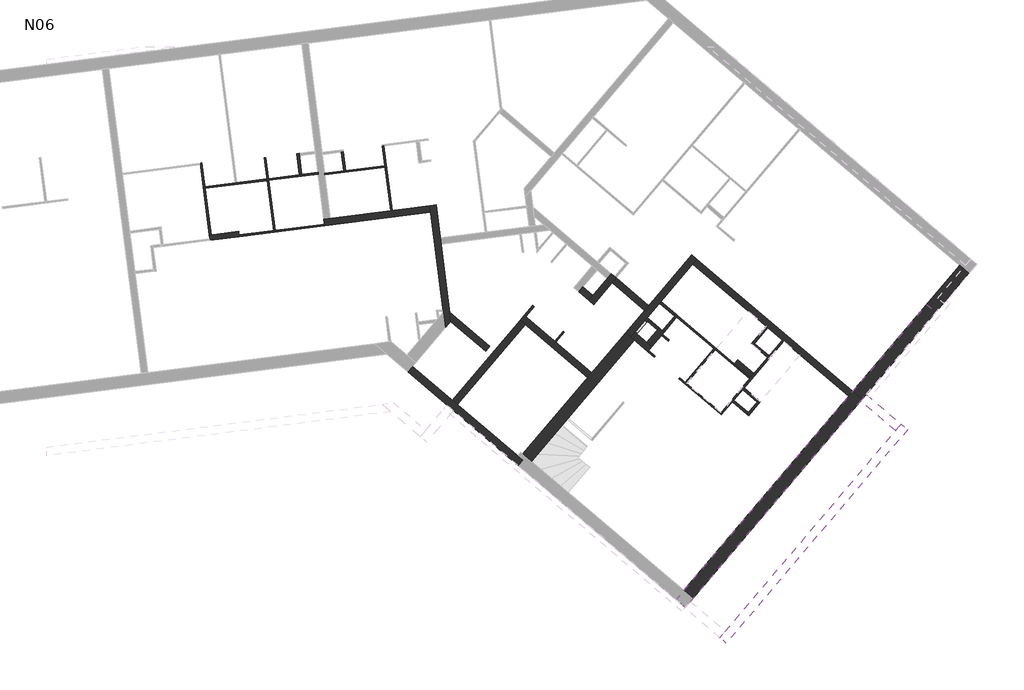
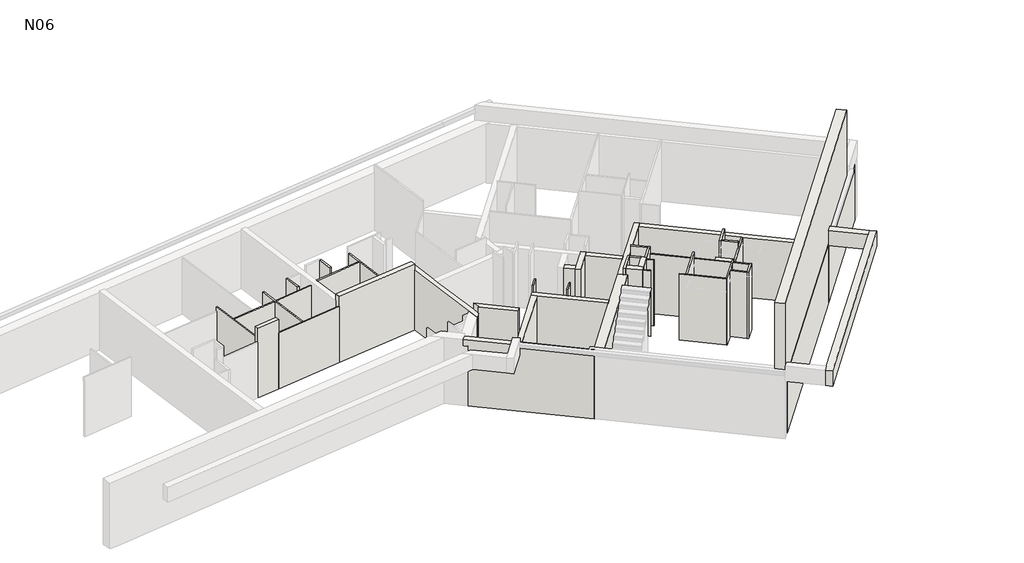
# One storey, part 2 of 3: 47 walls.
"""IFC4 building model written with IfcOpenShell, lengths in millimetres."""

import ifcopenshell
import ifcopenshell.guid

model = None  # the IFC model being written
_history = None  # IfcOwnerHistory: only IFC2X3 demands one
_inside = {}  # id of a spatial element -> (the spatial element, [elements in it])
_under = {}  # id of a project, library or spatial element -> (it, [spatial elements below it])
_declared = {}  # id of a project -> (the project, [libraries it declares])
_typed = {}  # id of a type object -> (the type object, [elements of that type])
_made_of = {}  # id of a material, layer set ... -> (it, [elements and type objects made of it])


def new_model(schema):
    """Start an empty IFC model of exactly this schema.

    Asked for "IFC4X3", IfcOpenShell would pick the latest addendum, in which some entities
    have other attributes; the version numbers below select the first issue.
    IFC2X3 requires an IfcOwnerHistory on every rooted entity: one is made here for all.
    """
    global model, _history
    if schema == "IFC4X3":
        model = ifcopenshell.file(schema_version=(4, 3, 0, 0))
    else:
        model = ifcopenshell.file(schema=schema)
    _inside.clear()
    _under.clear()
    _declared.clear()
    _typed.clear()
    _made_of.clear()
    _history = None
    if model.schema == "IFC2X3":
        org = make("IfcOrganization", Name="unknown")
        user = make(
            "IfcPersonAndOrganization",
            ThePerson=make("IfcPerson", FamilyName="unknown"),
            TheOrganization=org,
        )
        app = make(
            "IfcApplication",
            ApplicationDeveloper=org,
            Version="unknown",
            ApplicationFullName="unknown",
            ApplicationIdentifier="unknown",
        )
        _history = make(
            "IfcOwnerHistory",
            OwningUser=user,
            OwningApplication=app,
            ChangeAction="ADDED",
            CreationDate=0,
        )
    return model


def make(cls, **values):
    """One entity of the class cls with the attributes given. An attribute that is None is left unset."""
    return model.create_entity(
        cls, **{name: value for name, value in values.items() if value is not None}
    )


def rooted(cls, **values):
    """An entity with a GlobalId (a new one), such as an element, a storey or a relation."""
    return make(cls, GlobalId=ifcopenshell.guid.new(), OwnerHistory=_history, **values)


def si_unit(unit_type, name, prefix=None):
    """IfcSIUnit, for example si_unit("LENGTHUNIT", "METRE", prefix="MILLI")."""
    return make("IfcSIUnit", UnitType=unit_type, Prefix=prefix, Name=name)


def assignment(units):
    """IfcUnitAssignment: the units of a project."""
    return None if units is None else make("IfcUnitAssignment", Units=units)


def point(xyz):
    """IfcCartesianPoint."""
    return None if xyz is None else make("IfcCartesianPoint", Coordinates=xyz)


def direction(xyz):
    """IfcDirection."""
    return None if xyz is None else make("IfcDirection", DirectionRatios=xyz)


def frame(location, z_axis=None, x_axis=None):
    """IfcAxis2Placement3D, a coordinate frame: its origin and axes. An axis left out is left unset."""
    return make(
        "IfcAxis2Placement3D",
        Location=point(location),
        Axis=direction(z_axis),
        RefDirection=direction(x_axis),
    )


def origin():
    """The frame at (0, 0, 0) with its axes left unset."""
    return frame((0.0, 0.0, 0.0))


def place(relative_to, where):
    """IfcLocalPlacement: puts the frame where relative to a parent placement (None: the world)."""
    return make(
        "IfcLocalPlacement", PlacementRelTo=relative_to, RelativePlacement=where
    )


def context(
    kind, dimensions, precision=None, world=None, true_north=None, identifier=None
):
    """IfcGeometricRepresentationContext, for example the 3D "Model" context."""
    return make(
        "IfcGeometricRepresentationContext",
        ContextIdentifier=identifier,
        ContextType=kind,
        CoordinateSpaceDimension=dimensions,
        Precision=precision,
        WorldCoordinateSystem=world,
        TrueNorth=true_north,
    )


def project(units=None, contexts=None):
    """IfcProject with its units and contexts."""
    return rooted(
        "IfcProject",
        Name="project",
        RepresentationContexts=contexts,
        UnitsInContext=assignment(units),
    )


def spatial(cls, under=None, at=None, **own):
    """A site, building, storey or space (cls), placed at a placement, below another one or the project."""
    s = rooted(cls, ObjectPlacement=at, **own)
    if under is not None:
        _under.setdefault(under.id(), (under, []))[1].append(s)
    return s


def polyline(points):
    """IfcPolyline through the points."""
    return make("IfcPolyline", Points=[point(p) for p in points])


def outline(outer, holes=None, kind="AREA"):
    """IfcArbitraryClosedProfileDef: a profile drawn as a closed curve; with holes, ...WithVoids."""
    if holes is None:
        return make("IfcArbitraryClosedProfileDef", ProfileType=kind, OuterCurve=outer)
    return make(
        "IfcArbitraryProfileDefWithVoids",
        ProfileType=kind,
        OuterCurve=outer,
        InnerCurves=holes,
    )


def extrude(swept, where, along, depth):
    """IfcExtrudedAreaSolid: the profile swept, set in the frame where, extruded along a direction by depth."""
    return make(
        "IfcExtrudedAreaSolid",
        SweptArea=swept,
        Position=where,
        ExtrudedDirection=direction(along),
        Depth=depth,
    )


def faces_of(points, faces, orient=None, outer=None):
    """IfcFace entities. A face is a list of loops; a loop is a list of indices into points, from 0.

    orient and outer hold one flag for each loop. By default every Orientation is true, the
    first loop of a face is its IfcFaceOuterBound and the others are IfcFaceBound.
    """
    made = []
    for i, loops in enumerate(faces):
        bounds = []
        for j, loop in enumerate(loops):
            is_outer = j == 0 if outer is None else outer[i][j]
            bounds.append(
                make(
                    "IfcFaceOuterBound" if is_outer else "IfcFaceBound",
                    Bound=make("IfcPolyLoop", Polygon=[points[k] for k in loop]),
                    Orientation=True if orient is None else orient[i][j],
                )
            )
        made.append(make("IfcFace", Bounds=bounds))
    return made


def faceted_brep(points, faces, orient=None, outer=None, voids=None):
    """IfcFacetedBrep: a solid bounded by flat faces; with voids (closed shells), ...WithVoids."""
    shared = [point(p) for p in points]
    hull = make("IfcClosedShell", CfsFaces=faces_of(shared, faces, orient, outer))
    if voids is None:
        return make("IfcFacetedBrep", Outer=hull)
    return make(
        "IfcFacetedBrepWithVoids",
        Outer=hull,
        Voids=[
            make(cls, CfsFaces=faces_of(shared, fs, o, b)) for cls, fs, o, b in voids
        ],
    )


def shape(context_of_items, identifier, shape_type, items):
    """IfcShapeRepresentation: the items that make up one representation, for example the "Body"."""
    return make(
        "IfcShapeRepresentation",
        ContextOfItems=context_of_items,
        RepresentationIdentifier=identifier,
        RepresentationType=shape_type,
        Items=items,
    )


def made_of(thing, what):
    """Note that an element or type object is made of a material, layer set ...; save() writes the relation."""
    if what is not None:
        _made_of.setdefault(what.id(), (what, []))[1].append(thing)
    return thing


def element(
    cls,
    number,
    at=None,
    inside=None,
    cuts=None,
    type_object=None,
    material=None,
    context=None,
    identifier="Body",
    shape_type=None,
    held_by="IfcProductDefinitionShape",
    body=None,
    shapes=None,
    **own,
):
    """One element of the class cls, such as IfcWall. Its Tag is "e" and its number.

    at: its placement. inside: the storey or other place that contains it. cuts: it is an
    opening in that element (IfcRelVoidsElement). A single representation is given by context,
    identifier, shape_type and body (its items); several are given by shapes. held_by: the class
    of the entity that holds the representations. save() writes the other relations.
    """
    e = rooted(cls, Tag="e%d" % number, ObjectPlacement=at, **own)
    if body is not None:
        shapes = [shape(context, identifier, shape_type, body)]
    if shapes is not None:
        e.Representation = make(held_by, Representations=shapes)
    if inside is not None:
        _inside.setdefault(inside.id(), (inside, []))[1].append(e)
    if cuts is not None:
        rooted(
            "IfcRelVoidsElement", RelatingBuildingElement=cuts, RelatedOpeningElement=e
        )
    if type_object is not None:
        _typed.setdefault(type_object.id(), (type_object, []))[1].append(e)
    return made_of(e, material)


def aggregate(whole, parts):
    """IfcRelAggregates: a whole, such as a stair, and the parts it consists of."""
    return rooted("IfcRelAggregates", RelatingObject=whole, RelatedObjects=parts)


def save(model, path):
    """Write the relations noted so far, then the file.

    IfcRelAggregates (storeys below a building ...), IfcRelContainedInSpatialStructure (elements
    in a storey), IfcRelDefinesByType, IfcRelAssociatesMaterial and IfcRelDeclares: one each for
    every whole, place, type object, material and project.
    """
    for whole, parts in _under.values():
        aggregate(whole, parts)
    for where, things in _inside.values():
        rooted(
            "IfcRelContainedInSpatialStructure",
            RelatedElements=things,
            RelatingStructure=where,
        )
    for kind, things in _typed.values():
        rooted("IfcRelDefinesByType", RelatedObjects=things, RelatingType=kind)
    for what, things in _made_of.values():
        rooted("IfcRelAssociatesMaterial", RelatedObjects=things, RelatingMaterial=what)
    for by, libraries in _declared.values():
        rooted("IfcRelDeclares", RelatingContext=by, RelatedDefinitions=libraries)
    model.write(path)


model = new_model("IFC4")

# Units and contexts
model_context = context("Model", 3, world=origin())
ifc_project = project(units=[si_unit("LENGTHUNIT", "METRE", prefix="MILLI")], contexts=[model_context])

# Site, building, storey
site = spatial("IfcSite", under=ifc_project)
building = spatial("IfcBuilding", under=site)
storey = spatial("IfcBuildingStorey", under=building, Name="N06", Elevation=16920.0)

# Walls
placement = place(None, origin())
element("IfcWall", 1, at=placement, inside=storey, context=model_context, shape_type="Brep", body=[
    faceted_brep([(22625.2132362, 15384.8602127, 22610.0), (22625.2132362, 15384.8602127, 19360.0), (20373.7480337, 12732.0012909, 19360.0), (20373.7480337, 12732.0012909, 19420.0), (15215.3544939, 6653.9636162, 19420.0), (15215.3544939, 6653.9636162, 19690.0), (14975.9385505, 6371.8643322, 19690.0), (14975.9385505, 6371.8643322, 22610.0), (15215.3544939, 6653.9636162, 22610.0), (22907.3125202, 15145.4442693, 22610.0), (15258.0378345, 6132.4483887, 22610.0), (15258.0378345, 6132.4483887, 20000.0), (15413.3346627, 6315.4317081, 20000.0), (15413.3346627, 6315.4317081, 19690.0), (15497.4537779, 6414.5476727, 19690.0), (15497.4537779, 6414.5476727, 19420.0), (20655.8473177, 12492.5853475, 19420.0), (20655.8473177, 12492.5853475, 19360.0), (20778.79064, 12637.447142, 19360.0), (22907.3125202, 15145.4442693, 19360.0), (22907.3125202, 15145.4442693, 19690.0), (15090.3031251, 6274.8038146, 22610.0), (15409.5225099, 6318.6670589, 19690.0), (15254.2256817, 6135.6837396, 19690.0), (15254.2256817, 6135.6837396, 20000.0), (15409.5225099, 6318.6670589, 20000.0)], [[[0, 1, 2, 3, 4, 5, 6, 7, 8]], [[9, 10, 11, 12, 13, 14, 15, 16, 17, 18, 19, 20]], [[1, 19, 18, 17, 2]], [[10, 9, 0, 8, 7, 21]], [[1, 0, 9, 20, 19]], [[14, 5, 4, 15]], [[5, 14, 13, 22, 23, 6]], [[10, 21, 7, 6, 23, 24, 11]], [[12, 25, 22, 13]], [[22, 25, 24, 23]], [[25, 12, 11, 24]], [[3, 16, 15, 4]], [[16, 3, 2, 17]]]),
])
element("IfcWall", 2, at=placement, inside=storey, context=model_context, shape_type="Brep", body=[
    faceted_brep([(7448.5900764, 18403.1253969, 16920.0), (7473.9455369, 18204.7391559, 16920.0), (7854.1474738, 15229.9624634, 16920.0), (7860.4863389, 15180.3659032, 16920.0), (7865.2890942, 15142.7881766, 16920.0), (7925.3724793, 14672.6836444, 16920.0), (7925.3724793, 14672.6836444, 19420.0), (7865.2890942, 15142.7881766, 19420.0), (7448.5900764, 18403.1253969, 19420.0), (7646.9763174, 18428.4808575, 16920.0), (7646.9763174, 18428.4808575, 19420.0), (7775.7214118, 17421.1532528, 19420.0), (7801.0768724, 17222.7670118, 19420.0), (8100.609629, 14879.1622679, 19420.0), (8100.609629, 14879.1622679, 16920.0), (7801.0768724, 17222.7670118, 16920.0), (7775.7214118, 17421.1532528, 16920.0)], [[[0, 1, 2, 3, 4, 5, 6, 7, 8]], [[9, 10, 11, 12, 13, 14, 15, 16]], [[5, 4, 3, 2, 1, 0, 9, 16, 15, 14]], [[8, 7, 6, 13, 12, 11, 10]], [[0, 8, 10, 9]], [[5, 14, 13, 6]]]),
])
element("IfcWall", 3, at=placement, inside=storey, context=model_context, shape_type="Brep", body=[
    faceted_brep([(10566.9673175, 10599.0214892, 16920.0), (11649.2360505, 11874.2382951, 16920.0), (11681.5895563, 11912.35982, 16920.0), (13700.7356476, 14291.4815212, 16920.0), (13700.7356476, 14291.4815212, 19420.0), (10566.9673175, 10599.0214892, 19420.0), (10300.1166434, 10825.4960303, 16920.0), (10300.1166434, 10825.4960303, 19420.0), (12273.6805015, 13150.909047, 19420.0), (12403.0945249, 13303.3951464, 19420.0), (13433.8849736, 14517.9560622, 19420.0), (13433.8849736, 14517.9560622, 16920.0), (12403.0945249, 13303.3951464, 16920.0), (12273.6805015, 13150.909047, 16920.0), (13586.371073, 14388.5420388, 16920.0), (13647.3655128, 14336.7764294, 16920.0)], [[[0, 1, 2, 3, 4, 5]], [[6, 7, 8, 9, 10, 11, 12, 13]], [[3, 2, 1, 0, 6, 13, 12, 11, 14, 15]], [[5, 4, 10, 9, 8, 7]], [[0, 5, 7, 6]], [[4, 3, 15, 14, 11, 10]]]),
])
element("IfcWall", 4, at=placement, inside=storey, context=model_context, shape_type="Brep", body=[
    faceted_brep([(20373.7480337, 12732.0012909, 16920.0), (15610.9962826, 16774.1196816, 16920.0), (15610.9962826, 16774.1196816, 19420.0), (20373.7480337, 12732.0012909, 19420.0), (20244.3340102, 12579.5151915, 16920.0), (20244.3340102, 12579.5151915, 19420.0), (18262.0147173, 14261.8974967, 19420.0), (18223.8931924, 14294.2510025, 19420.0), (15481.5822592, 16621.6335821, 19420.0), (15481.5822592, 16621.6335821, 16920.0), (17728.3133692, 14714.8465789, 16920.0), (17781.683504, 14669.5516706, 16920.0), (18223.8931924, 14294.2510025, 16920.0), (18262.0147173, 14261.8974967, 16920.0)], [[[0, 1, 2, 3]], [[4, 5, 6, 7, 8, 9, 10, 11, 12, 13]], [[1, 0, 4, 13, 12, 11, 10, 9]], [[3, 2, 8, 7, 6, 5]], [[2, 1, 9, 8]], [[0, 3, 5, 4]]]),
])
element("IfcWall", 5, at=placement, inside=storey, context=model_context, shape_type="SweptSolid", body=[
    extrude(outline(polyline([(13150.4986542, 16197.2682669), (14143.7131407, 15354.3331841), (14014.2991172, 15201.8470847), (13021.0846307, 16044.7821675), (13150.4986542, 16197.2682669)])), frame((0.0, 0.0, 16920.0), z_axis=(0.0, 0.0, 1.0), x_axis=(1.0, 0.0, 0.0)), (0.0, 0.0, 1.0), 2500.0),
])
element("IfcWall", 6, at=placement, inside=storey, context=model_context, shape_type="Brep", body=[
    faceted_brep([(12403.0945249, 13303.3951464, 16920.0), (11305.1946088, 14235.1761155, 16920.0), (11267.073084, 14267.5296214, 16920.0), (10382.6537071, 15018.1309575, 16920.0), (10344.5321823, 15050.4844634, 16920.0), (10344.5321823, 15050.4844634, 19420.0), (12403.0945249, 13303.3951464, 19420.0), (12273.6805015, 13150.909047, 16920.0), (12273.6805015, 13150.909047, 19420.0), (10367.6042582, 14768.5843405, 19420.0), (10215.1181588, 14897.9983639, 19420.0), (10215.1181588, 14897.9983639, 16920.0), (10367.6042582, 14768.5843405, 16920.0)], [[[0, 1, 2, 3, 4, 5, 6]], [[7, 8, 9, 10, 11, 12]], [[4, 3, 2, 1, 0, 7, 12, 11]], [[6, 5, 10, 9, 8]], [[5, 4, 11, 10]], [[0, 6, 8, 7]]]),
])
element("IfcWall", 7, at=placement, inside=storey, context=model_context, shape_type="SweptSolid", body=[
    extrude(outline(polyline([(8144.4937831, 12458.2207726), (10215.1181588, 14897.9983639), (10367.6042582, 14768.5843405), (8296.9798826, 12328.8067492), (8144.4937831, 12458.2207726)])), frame((0.0, 0.0, 16920.0), z_axis=(0.0, 0.0, 1.0), x_axis=(1.0, 0.0, 0.0)), (0.0, 0.0, 1.0), 2500.0),
])
element("IfcWall", 8, at=placement, inside=storey, context=model_context, shape_type="Brep", body=[
    faceted_brep([(10302.1720905, 10627.0123404, 16920.0), (10138.2495336, 10766.1324156, 16920.0), (8296.9798826, 12328.8067492, 16920.0), (8144.4937831, 12458.2207726, 16920.0), (6924.6221307, 13493.5184111, 16920.0), (6924.6221307, 13493.5184111, 19420.0), (6791.1967937, 13606.7556817, 19420.0), (6791.1967937, 13606.7556817, 19690.0), (6924.6221307, 13493.5184111, 19690.0), (10138.2495336, 10766.1324156, 19690.0), (10302.1720905, 10627.0123404, 19690.0), (10159.8166646, 10459.277631, 16920.0), (10159.8166646, 10459.277631, 19690.0), (6782.2667049, 13325.7837017, 19690.0), (6648.8413679, 13439.0209723, 19690.0), (6648.8413679, 13439.0209723, 19420.0), (6782.2667049, 13325.7837017, 19420.0), (6782.2667049, 13325.7837017, 16920.0)], [[[0, 1, 2, 3, 4, 5, 6, 7, 8, 9, 10]], [[11, 12, 13, 14, 15, 16, 17]], [[4, 3, 2, 1, 0, 11, 17]], [[10, 9, 8, 7, 14, 13, 12]], [[0, 10, 12, 11]], [[7, 6, 15, 14]], [[15, 6, 5, 16]], [[5, 4, 17, 16]]]),
])
element("IfcWall", 9, at=placement, inside=storey, context=model_context, shape_type="Brep", body=[
    faceted_brep([(8089.348342, 14865.8933062, 16920.0), (9156.7510382, 13959.9951419, 16920.0), (9156.7510382, 13959.9951419, 19690.0), (8089.348342, 14865.8933062, 19690.0), (8066.276266, 15147.7934292, 16920.0), (8066.276266, 15147.7934292, 19690.0), (9286.1650617, 14112.4812413, 19690.0), (9286.1650617, 14112.4812413, 16920.0), (8100.609629, 14879.1622679, 16920.0), (8100.609629, 14879.1622679, 19690.0), (8100.609629, 14879.1622679, 19420.0)], [[[0, 1, 2, 3]], [[4, 5, 6, 7]], [[1, 0, 8, 4, 7]], [[2, 1, 7, 6]], [[3, 2, 6, 5, 9]], [[0, 3, 9, 10, 8]], [[9, 5, 4, 8, 10]]]),
])
element("IfcWall", 10, at=placement, inside=storey, context=model_context, shape_type="Brep", body=[
    faceted_brep([(13586.371073, 14388.5420388, 16920.0), (14465.6821749, 15424.6177014, 16920.0), (14510.9770831, 15477.9878362, 16920.0), (15481.5822592, 16621.6335821, 16920.0), (15610.9962826, 16774.1196816, 16920.0), (15610.9962826, 16774.1196816, 19420.0), (15481.5822592, 16621.6335821, 19420.0), (13586.371073, 14388.5420388, 19420.0), (13433.8849736, 14517.9560622, 16920.0), (13433.8849736, 14517.9560622, 19420.0), (14014.2991172, 15201.8470847, 19420.0), (14143.7131407, 15354.3331841, 19420.0), (15458.5101832, 16903.533705, 19420.0), (15458.5101832, 16903.533705, 16920.0), (14143.7131407, 15354.3331841, 16920.0), (14014.2991172, 15201.8470847, 16920.0)], [[[0, 1, 2, 3, 4, 5, 6, 7]], [[8, 9, 10, 11, 12, 13, 14, 15]], [[4, 3, 2, 1, 0, 8, 15, 14, 13]], [[7, 6, 5, 12, 11, 10, 9]], [[0, 7, 9, 8]], [[5, 4, 13, 12]]]),
])
element("IfcWall", 11, at=placement, inside=storey, context=model_context, shape_type="Brep", body=[
    faceted_brep([(4248.3180049, 17792.4763335, 16920.0), (7473.9455369, 18204.7391559, 16920.0), (7473.9455369, 18204.7391559, 19690.0), (4248.3180049, 17792.4763335, 19690.0), (4222.9625443, 17990.8625745, 16920.0), (4222.9625443, 17990.8625745, 19420.0), (4222.9625443, 17990.8625745, 19690.0), (7448.5900764, 18403.1253969, 19690.0), (7448.5900764, 18403.1253969, 19420.0), (7448.5900764, 18403.1253969, 16920.0), (4421.3487853, 18016.2180351, 16920.0)], [[[0, 1, 2, 3]], [[4, 5, 6, 7, 8, 9, 10]], [[1, 0, 4, 10, 9]], [[3, 2, 7, 6]], [[0, 3, 6, 5, 4]], [[2, 1, 9, 8, 7]]]),
])
element("IfcWall", 12, at=placement, inside=storey, context=model_context, shape_type="Brep", body=[
    faceted_brep([(16510.7310576, 5043.0633839, 19360.0), (22044.4252655, 11563.3107471, 19360.0), (22044.4252655, 11563.3107471, 20000.0), (16510.7310576, 5043.0633839, 20000.0), (16312.4991283, 5211.3016144, 19360.0), (16312.4991283, 5211.3016144, 20000.0), (16480.7373588, 5409.5335437, 20000.0), (21677.9551057, 11533.3170483, 20000.0), (21846.1933362, 11731.5489776, 20000.0), (21846.1933362, 11731.5489776, 19360.0), (21677.9551057, 11533.3170483, 19360.0), (16480.7373588, 5409.5335437, 19360.0)], [[[0, 1, 2, 3]], [[4, 5, 6, 7, 8, 9, 10, 11]], [[1, 0, 4, 11, 10, 9]], [[3, 2, 8, 7, 6, 5]], [[2, 1, 9, 8]], [[0, 3, 5, 4]]]),
])
element("IfcWall", 13, at=placement, inside=storey, context=model_context, shape_type="Brep", body=[
    faceted_brep([(20610.5524095, 12439.2152127, 19360.0), (21677.9551057, 11533.3170483, 19360.0), (21677.9551057, 11533.3170483, 20000.0), (20610.5524095, 12439.2152127, 20000.0), (20778.79064, 12637.447142, 19360.0), (20778.79064, 12637.447142, 20000.0), (21846.1933362, 11731.5489776, 20000.0), (21846.1933362, 11731.5489776, 19360.0), (20655.8473177, 12492.5853475, 19360.0)], [[[0, 1, 2, 3]], [[4, 5, 6, 7]], [[1, 0, 8, 4, 7]], [[3, 2, 6, 5]], [[0, 3, 5, 4, 8]], [[2, 1, 7, 6]]]),
])
element("IfcWall", 14, at=placement, inside=storey, context=model_context, shape_type="Brep", body=[
    faceted_brep([(23636.9720717, 16576.9965383, 16920.0), (20373.7480337, 12732.0012909, 16920.0), (20373.7480337, 12732.0012909, 19360.0), (23636.9720717, 16576.9965383, 19360.0), (23919.0713557, 16337.5805948, 16920.0), (23919.0713557, 16337.5805948, 17120.0), (23919.0713557, 16337.5805948, 19360.0), (20655.8473177, 12492.5853475, 19360.0), (20655.8473177, 12492.5853475, 16920.0)], [[[0, 1, 2, 3]], [[4, 5, 6, 7, 8]], [[1, 0, 4, 8]], [[3, 2, 7, 6]], [[0, 3, 6, 5, 4]], [[2, 1, 8, 7]]]),
])
element("IfcWall", 15, at=placement, inside=storey, context=model_context, shape_type="Brep", body=[
    faceted_brep([(20373.7480337, 12732.0012909, 19420.0), (20373.7480337, 12732.0012909, 19360.0), (20373.7480337, 12732.0012909, 16920.0), (20244.3340102, 12579.5151915, 16920.0), (15215.3544939, 6653.9636162, 16920.0), (15215.3544939, 6653.9636162, 19420.0), (20244.3340102, 12579.5151915, 19420.0), (20655.8473177, 12492.5853475, 16920.0), (20655.8473177, 12492.5853475, 19360.0), (20655.8473177, 12492.5853475, 19420.0), (15497.4537779, 6414.5476727, 19420.0), (15497.4537779, 6414.5476727, 16920.0)], [[[0, 1, 2, 3, 4, 5, 6]], [[7, 8, 9, 10, 11]], [[4, 3, 2, 7, 11]], [[0, 6, 5, 10, 9]], [[5, 4, 11, 10]], [[0, 9, 8, 7, 2, 1]]]),
])
element("IfcWall", 16, at=placement, inside=storey, context=model_context, shape_type="Brep", body=[
    faceted_brep([(12998.0125548, 16326.6822904, 16920.0), (12868.5985313, 16174.196191, 16920.0), (12435.0615526, 15663.3677578, 16920.0), (12305.6475292, 15510.8816583, 16920.0), (12305.6475292, 15510.8816583, 19420.0), (12435.0615526, 15663.3677578, 19420.0), (12868.5985313, 16174.196191, 19420.0), (12998.0125548, 16326.6822904, 19420.0), (12458.1336286, 15381.4676348, 19420.0), (12458.1336286, 15381.4676348, 16920.0), (13021.0846307, 16044.7821675, 16920.0), (13150.4986542, 16197.2682669, 16920.0), (13150.4986542, 16197.2682669, 19420.0), (13021.0846307, 16044.7821675, 19420.0), (13097.1285194, 16242.5631752, 16920.0)], [[[0, 1, 2, 3, 4, 5, 6, 7]], [[8, 9, 10, 11, 12, 13]], [[3, 2, 1, 0, 14, 11, 10, 9]], [[7, 6, 5, 4, 8, 13, 12]], [[4, 3, 9, 8]], [[0, 7, 12, 11, 14]]]),
])
element("IfcWall", 17, at=placement, inside=storey, context=model_context, shape_type="SweptSolid", body=[
    extrude(outline(polyline([(12305.6475292, 15510.8816583), (12000.6753302, 15769.7097053), (12130.0893537, 15922.1958047), (12435.0615526, 15663.3677578), (12305.6475292, 15510.8816583)])), frame((0.0, 0.0, 16920.0), z_axis=(0.0, 0.0, 1.0), x_axis=(1.0, 0.0, 0.0)), (0.0, 0.0, 1.0), 2500.0),
])
element("IfcWall", 18, at=placement, inside=storey, context=model_context, shape_type="SweptSolid", body=[
    extrude(outline(polyline([(14152.0802044, 14931.4722172), (14457.0524033, 14672.6441703), (14405.2867939, 14611.6497305), (14100.314595, 14870.4777775), (14152.0802044, 14931.4722172)])), frame((0.0, 0.0, 16920.0), z_axis=(0.0, 0.0, 1.0), x_axis=(1.0, 0.0, 0.0)), (0.0, 0.0, 1.0), 2770.0),
])
element("IfcWall", 19, at=placement, inside=storey, context=model_context, shape_type="Brep", body=[
    faceted_brep([(14091.0857646, 14983.2378266, 16920.0), (13586.371073, 14388.5420388, 16920.0), (13586.371073, 14388.5420388, 19690.0), (14091.0857646, 14983.2378266, 19690.0), (14019.9080517, 14899.3704719, 18420.0), (13728.7264989, 14556.2767482, 18420.0), (13728.7264989, 14556.2767482, 17420.0), (14019.9080517, 14899.3704719, 17420.0), (13647.3655128, 14336.7764294, 19690.0), (13647.3655128, 14336.7764294, 16920.0), (13776.7795363, 14489.2625288, 16920.0), (14100.314595, 14870.4777775, 16920.0), (14152.0802044, 14931.4722172, 16920.0), (14152.0802044, 14931.4722172, 19690.0), (14100.314595, 14870.4777775, 19690.0), (13776.7795363, 14489.2625288, 19690.0), (13789.7209386, 14504.5111388, 18420.0), (14080.9024915, 14847.6048625, 18420.0), (14080.9024915, 14847.6048625, 17420.0), (13789.7209386, 14504.5111388, 17420.0)], [[[0, 1, 2, 3], [4, 5, 6, 7]], [[8, 9, 10, 11, 12, 13, 14, 15], [16, 17, 18, 19]], [[1, 0, 12, 11, 10, 9]], [[3, 2, 8, 15, 14, 13]], [[4, 17, 16, 5]], [[6, 19, 18, 7]], [[17, 4, 7, 18]], [[5, 16, 19, 6]], [[0, 3, 13, 12]], [[1, 9, 8, 2]]]),
])
element("IfcWall", 20, at=placement, inside=storey, context=model_context, shape_type="Brep", body=[
    faceted_brep([(13647.3655128, 14336.7764294, 19690.0), (13647.3655128, 14336.7764294, 16920.0), (13700.7356476, 14291.4815212, 16920.0), (14104.8238112, 13948.5343589, 16920.0), (14104.8238112, 13948.5343589, 19690.0), (13776.7795363, 14489.2625288, 16920.0), (13776.7795363, 14489.2625288, 19690.0), (14081.7517352, 14230.4344819, 19690.0), (14234.2378347, 14101.0204584, 19690.0), (14234.2378347, 14101.0204584, 16920.0), (14081.7517352, 14230.4344819, 16920.0)], [[[0, 1, 2, 3, 4]], [[5, 6, 7, 8, 9, 10]], [[3, 2, 1, 5, 10, 9]], [[0, 4, 8, 7, 6]], [[4, 3, 9, 8]], [[0, 6, 5, 1]]]),
])
element("IfcWall", 21, at=placement, inside=storey, context=model_context, shape_type="Brep", body=[
    faceted_brep([(14234.2378347, 14101.0204584, 16920.0), (14609.5385027, 14543.2301468, 16920.0), (14609.5385027, 14543.2301468, 19690.0), (14234.2378347, 14101.0204584, 19690.0), (14081.7517352, 14230.4344819, 16920.0), (14081.7517352, 14230.4344819, 19690.0), (14405.2867939, 14611.6497305, 19690.0), (14457.0524033, 14672.6441703, 19690.0), (14457.0524033, 14672.6441703, 16920.0), (14405.2867939, 14611.6497305, 16920.0)], [[[0, 1, 2, 3]], [[4, 5, 6, 7, 8, 9]], [[1, 0, 4, 9, 8]], [[3, 2, 7, 6, 5]], [[0, 3, 5, 4]], [[2, 1, 8, 7]]]),
])
element("IfcWall", 22, ObjectType="CLO 5", at=placement, inside=storey, context=model_context, shape_type="SweptSolid", body=[
    extrude(outline(polyline([(17220.9345105, 13112.4837318), (14997.0763154, 14999.8586315), (15029.4298212, 15037.9801564), (17253.2880163, 13150.6052566), (17220.9345105, 13112.4837318)])), frame((0.0, 0.0, 16920.0), z_axis=(0.0, 0.0, 1.0), x_axis=(1.0, 0.0, 0.0)), (0.0, 0.0, 1.0), 2500.0),
])
element("IfcWall", 23, ObjectType="CLO 5", at=placement, inside=storey, context=model_context, shape_type="Brep", body=[
    faceted_brep([(17116.4829581, 12912.1390619, 16920.0), (18262.0147173, 14261.8974967, 16920.0), (18262.0147173, 14261.8974967, 19420.0), (17116.4829581, 12912.1390619, 19420.0), (17078.3614332, 12944.4925678, 16920.0), (17078.3614332, 12944.4925678, 19420.0), (17220.9345105, 13112.4837318, 19420.0), (17253.2880163, 13150.6052566, 19420.0), (17356.8192351, 13272.5941362, 19420.0), (18223.8931924, 14294.2510025, 19420.0), (18223.8931924, 14294.2510025, 16920.0), (17816.2390185, 13813.9197893, 16920.0), (17770.9441103, 13760.5496545, 16920.0), (17356.8192351, 13272.5941362, 16920.0), (17253.2880163, 13150.6052566, 16920.0), (17220.9345105, 13112.4837318, 16920.0)], [[[0, 1, 2, 3]], [[4, 5, 6, 7, 8, 9, 10, 11, 12, 13, 14, 15]], [[1, 0, 4, 15, 14, 13, 12, 11, 10]], [[3, 2, 9, 8, 7, 6, 5]], [[0, 3, 5, 4]], [[2, 1, 10, 9]]]),
])
element("IfcWall", 24, ObjectType="CLO 5", at=placement, inside=storey, context=model_context, shape_type="Brep", body=[
    faceted_brep([(2400.6659897, 19864.9584277, 16920.0), (2483.0712364, 19220.2031444, 16920.0), (2489.4101016, 19170.6065842, 16920.0), (2684.6471478, 17643.0325284, 16920.0), (2684.6471478, 17643.0325284, 19270.0), (2489.4101016, 19170.6065842, 19270.0), (2483.0712364, 19220.2031444, 19270.0), (2400.6659897, 19864.9584277, 19270.0), (2450.2625499, 19871.2972928, 16920.0), (2450.2625499, 19871.2972928, 19270.0), (2532.6677967, 19226.5420096, 19270.0), (2539.0066618, 19176.9454493, 19270.0), (2734.2437081, 17649.3713936, 19270.0), (2734.2437081, 17649.3713936, 16920.0), (2539.0066618, 19176.9454493, 16920.0), (2532.6677967, 19226.5420096, 16920.0)], [[[0, 1, 2, 3, 4, 5, 6, 7]], [[8, 9, 10, 11, 12, 13, 14, 15]], [[3, 2, 1, 0, 8, 15, 14, 13]], [[7, 6, 5, 4, 12, 11, 10, 9]], [[0, 7, 9, 8]], [[4, 3, 13, 12]]]),
])
element("IfcWall", 25, ObjectType="CLO 5", at=placement, inside=storey, context=model_context, shape_type="Brep", body=[
    faceted_brep([(4241.9791397, 17842.0728938, 16920.0), (2734.2437081, 17649.3713936, 16920.0), (2684.6471478, 17643.0325284, 16920.0), (1633.2000705, 17508.6485875, 16920.0), (1633.2000705, 17508.6485875, 19270.0), (2684.6471478, 17643.0325284, 19270.0), (2734.2437081, 17649.3713936, 19270.0), (4241.9791397, 17842.0728938, 19270.0), (4248.3180049, 17792.4763335, 16920.0), (4248.3180049, 17792.4763335, 19270.0), (1639.5389356, 17459.0520273, 19270.0), (1639.5389356, 17459.0520273, 16920.0)], [[[0, 1, 2, 3, 4, 5, 6, 7]], [[8, 9, 10, 11]], [[3, 2, 1, 0, 8, 11]], [[4, 3, 11, 10]], [[7, 6, 5, 4, 10, 9]], [[0, 7, 9, 8]]]),
])
element("IfcWall", 26, ObjectType="CLO 5", at=placement, inside=storey, context=model_context, shape_type="Brep", body=[
    faceted_brep([(4046.7420935, 19369.6469495, 16920.0), (4046.7420935, 19369.6469495, 19270.0), (2539.0066618, 19176.9454493, 19270.0), (2539.0066618, 19176.9454493, 16920.0), (4040.4032283, 19419.2435098, 19270.0), (4040.4032283, 19419.2435098, 16920.0), (3544.4376258, 19355.8548584, 16920.0), (3475.0024415, 19346.9804472, 16920.0), (2532.6677967, 19226.5420096, 16920.0), (2532.6677967, 19226.5420096, 19270.0)], [[[0, 1, 2, 3]], [[4, 5, 6, 7, 8, 9]], [[5, 0, 3, 8, 7, 6]], [[1, 0, 5, 4]], [[1, 4, 9, 2]], [[3, 2, 9, 8]]]),
    faceted_brep([(594.8215, 18928.4619359, 19270.0), (594.8215, 18928.4619359, 19020.0), (594.8215, 18928.4619359, 16920.0), (2489.4101016, 19170.6065842, 16920.0), (2489.4101016, 19170.6065842, 19270.0), (588.4826348, 18978.0584962, 16920.0), (588.4826348, 18978.0584962, 19270.0), (1510.9786555, 19095.9613877, 19270.0), (1560.5752158, 19102.3002529, 19270.0), (2483.0712364, 19220.2031444, 19270.0), (2483.0712364, 19220.2031444, 16920.0), (1560.5752158, 19102.3002529, 16920.0), (1510.9786555, 19095.9613877, 16920.0)], [[[0, 1, 2, 3, 4]], [[5, 6, 7, 8, 9, 10, 11, 12]], [[2, 5, 12, 11, 10, 3]], [[6, 0, 4, 9, 8, 7]], [[4, 3, 10, 9]], [[2, 1, 0, 6, 5]]]),
])
element("IfcWall", 27, ObjectType="CLO 5", at=placement, inside=storey, context=model_context, shape_type="SweptSolid", body=[
    extrude(outline(polyline([(15262.570797, 13009.9986832), (16133.0977563, 14035.7241566), (16171.2192812, 14003.3706507), (15300.6923219, 12977.6451773), (15262.570797, 13009.9986832)])), frame((0.0, 0.0, 16920.0), z_axis=(0.0, 0.0, 1.0), x_axis=(1.0, 0.0, 0.0)), (0.0, 0.0, 1.0), 2770.0),
])
element("IfcWall", 28, ObjectType="CLO 5", at=placement, inside=storey, context=model_context, shape_type="SweptSolid", body=[
    extrude(outline(polyline([(11564.0226558, 14540.1483144), (11305.1946088, 14235.1761155), (11267.073084, 14267.5296214), (11525.9011309, 14572.5018203), (11564.0226558, 14540.1483144)])), frame((0.0, 0.0, 16920.0), z_axis=(0.0, 0.0, 1.0), x_axis=(1.0, 0.0, 0.0)), (0.0, 0.0, 1.0), 2770.0),
])
element("IfcWall", 29, ObjectType="CLO 5", at=placement, inside=storey, context=model_context, shape_type="Brep", body=[
    faceted_brep([(10382.6537071, 15018.1309575, 16920.0), (10641.4817541, 15323.1031564, 16920.0), (10641.4817541, 15323.1031564, 19690.0), (10382.6537071, 15018.1309575, 19690.0), (10344.5321823, 15050.4844634, 16920.0), (10344.5321823, 15050.4844634, 19420.0), (10344.5321823, 15050.4844634, 19690.0), (10603.3602292, 15355.4566623, 19690.0), (10603.3602292, 15355.4566623, 16920.0)], [[[0, 1, 2, 3]], [[4, 5, 6, 7, 8]], [[1, 0, 4, 8]], [[2, 1, 8, 7]], [[3, 2, 7, 6]], [[0, 3, 6, 5, 4]]]),
])
element("IfcWall", 30, ObjectType="CLO 5", at=placement, inside=storey, context=model_context, shape_type="Brep", body=[
    faceted_brep([(445.0708706, 19705.7487227, 16920.0), (451.4097357, 19656.1521625, 16920.0), (726.5164827, 17503.6614476, 16920.0), (726.5164827, 17503.6614476, 19420.0), (445.0708706, 19705.7487227, 19420.0), (445.0708706, 19705.7487227, 19270.0), (776.1130429, 17510.0003127, 19420.0), (776.1130429, 17510.0003127, 16920.0), (594.8215, 18928.4619359, 16920.0), (588.4826348, 18978.0584962, 16920.0), (494.6674308, 19712.0875879, 16920.0), (494.6674308, 19712.0875879, 19420.0)], [[[0, 1, 2, 3, 4, 5]], [[6, 7, 8, 9, 10, 11]], [[2, 1, 0, 10, 9, 8, 7]], [[3, 2, 7, 6]], [[4, 3, 6, 11]], [[0, 5, 4, 11, 10]]]),
])
element("IfcWall", 31, ObjectType="CLO 5", at=placement, inside=storey, context=model_context, shape_type="Brep", body=[
    faceted_brep([(17078.3614332, 12944.4925678, 16920.0), (16350.4075512, 12086.7582584, 16920.0), (16318.0540453, 12048.6367335, 16920.0), (16318.0540453, 12048.6367335, 19690.0), (16350.4075512, 12086.7582584, 19690.0), (17078.3614332, 12944.4925678, 19690.0), (17078.3614332, 12944.4925678, 19420.0), (17116.4829581, 12912.1390619, 16920.0), (17116.4829581, 12912.1390619, 19420.0), (17116.4829581, 12912.1390619, 19690.0), (17051.9935978, 12836.1524668, 19690.0), (17006.6986896, 12782.782332, 19690.0), (16737.9469394, 12466.117221, 19690.0), (16692.6520312, 12412.7470862, 19690.0), (16356.1755702, 12016.2832276, 19690.0), (16356.1755702, 12016.2832276, 16920.0), (16692.6520312, 12412.7470862, 16920.0), (16737.9469394, 12466.117221, 16920.0), (17006.6986896, 12782.782332, 16920.0), (17051.9935978, 12836.1524668, 16920.0)], [[[0, 1, 2, 3, 4, 5, 6]], [[7, 8, 9, 10, 11, 12, 13, 14, 15, 16, 17, 18, 19]], [[2, 1, 0, 7, 19, 18, 17, 16, 15]], [[5, 4, 3, 14, 13, 12, 11, 10, 9]], [[0, 6, 5, 9, 8, 7]], [[3, 2, 15, 14]]]),
])
element("IfcWall", 32, ObjectType="CLO 5", at=placement, inside=storey, context=model_context, shape_type="Brep", body=[
    faceted_brep([(15062.4825817, 13114.2325842, 16920.0), (16318.0540453, 12048.6367335, 16920.0), (16318.0540453, 12048.6367335, 19690.0), (15062.4825817, 13114.2325842, 19690.0), (15094.8360876, 13152.354109, 16920.0), (15094.8360876, 13152.354109, 19690.0), (15262.570797, 13009.9986832, 19690.0), (15300.6923219, 12977.6451773, 19690.0), (16350.4075512, 12086.7582584, 19690.0), (16350.4075512, 12086.7582584, 16920.0), (15300.6923219, 12977.6451773, 16920.0), (15262.570797, 13009.9986832, 16920.0)], [[[0, 1, 2, 3]], [[4, 5, 6, 7, 8, 9, 10, 11]], [[1, 0, 4, 11, 10, 9]], [[3, 2, 8, 7, 6, 5]], [[0, 3, 5, 4]], [[2, 1, 9, 8]]]),
])
element("IfcWall", 33, ObjectType="CLO 5", at=placement, inside=storey, context=model_context, shape_type="SweptSolid", body=[
    extrude(outline(polyline([(14310.6800455, 13773.8254272), (14104.8238112, 13948.5343589), (14137.1773171, 13986.6558838), (14343.0335513, 13811.9469521), (14310.6800455, 13773.8254272)])), frame((0.0, 0.0, 16920.0), z_axis=(0.0, 0.0, 1.0), x_axis=(1.0, 0.0, 0.0)), (0.0, 0.0, 1.0), 2770.0),
])
element("IfcWall", 34, ObjectType="CLO 5", at=placement, inside=storey, context=model_context, shape_type="SweptSolid", body=[
    extrude(outline(polyline([(14731.2756218, 14269.4052505), (14525.4193875, 14444.1141822), (14557.7728934, 14482.235707), (14763.6291276, 14307.5267753), (14731.2756218, 14269.4052505)])), frame((0.0, 0.0, 16920.0), z_axis=(0.0, 0.0, 1.0), x_axis=(1.0, 0.0, 0.0)), (0.0, 0.0, 1.0), 2770.0),
])
element("IfcWall", 35, ObjectType="CLO 5", at=placement, inside=storey, context=model_context, shape_type="Brep", body=[
    faceted_brep([(4252.0584428, 19340.7798442, 16920.0), (6087.131172, 19575.3178543, 16920.0), (6087.131172, 19575.3178543, 19420.0), (4252.0584428, 19340.7798442, 19420.0), (4245.7195776, 19390.3764045, 16920.0), (4245.7195776, 19390.3764045, 19420.0), (6080.7923069, 19624.9144146, 19420.0), (6080.7923069, 19624.9144146, 16920.0), (4890.4748609, 19472.7816512, 16920.0), (4821.0396765, 19463.9072401, 16920.0)], [[[0, 1, 2, 3]], [[4, 5, 6, 7, 8, 9]], [[1, 0, 4, 9, 8, 7]], [[3, 2, 6, 5]], [[0, 3, 5, 4]], [[2, 1, 7, 6]]]),
])
element("IfcWall", 36, ObjectType="CLO 5", at=placement, inside=storey, context=model_context, shape_type="Brep", body=[
    faceted_brep([(6004.7259253, 20220.0731376, 16920.0), (6080.7923069, 19624.9144146, 16920.0), (6087.131172, 19575.3178543, 16920.0), (6256.4215146, 18250.7560452, 16920.0), (6256.4215146, 18250.7560452, 19420.0), (6087.131172, 19575.3178543, 19420.0), (6080.7923069, 19624.9144146, 19420.0), (6004.7259253, 20220.0731376, 19420.0), (6054.3224855, 20226.4120027, 16920.0), (6054.3224855, 20226.4120027, 19420.0), (6306.0180749, 18257.0949103, 19420.0), (6306.0180749, 18257.0949103, 16920.0)], [[[0, 1, 2, 3, 4, 5, 6, 7]], [[8, 9, 10, 11]], [[3, 2, 1, 0, 8, 11]], [[7, 6, 5, 4, 10, 9]], [[0, 7, 9, 8]], [[4, 3, 11, 10]]]),
])
element("IfcWall", 37, ObjectType="CLO 7", at=placement, inside=storey, context=model_context, shape_type="Brep", body=[
    faceted_brep([(14609.5385027, 14543.2301468, 16920.0), (14997.0763154, 14999.8586315, 16920.0), (15029.4298212, 15037.9801564, 16920.0), (15029.4298212, 15037.9801564, 19420.0), (15029.4298212, 15037.9801564, 19690.0), (14609.5385027, 14543.2301468, 19690.0), (14556.1683679, 14588.525055, 16920.0), (14556.1683679, 14588.525055, 19690.0), (14930.7647782, 15029.9049298, 19690.0), (14976.0596864, 15083.2750646, 19690.0), (14976.0596864, 15083.2750646, 16920.0), (14930.7647782, 15029.9049298, 16920.0)], [[[0, 1, 2, 3, 4, 5]], [[6, 7, 8, 9, 10, 11]], [[2, 1, 0, 6, 11, 10]], [[5, 4, 9, 8, 7]], [[0, 5, 7, 6]], [[4, 3, 2, 10, 9]]]),
])
element("IfcWall", 38, ObjectType="CLO 7", at=placement, inside=storey, context=model_context, shape_type="SweptSolid", body=[
    extrude(outline(polyline([(14510.9770831, 15477.9878362), (14976.0596864, 15083.2750646), (14930.7647782, 15029.9049298), (14465.6821749, 15424.6177014), (14510.9770831, 15477.9878362)])), frame((0.0, 0.0, 16920.0), z_axis=(0.0, 0.0, 1.0), x_axis=(1.0, 0.0, 0.0)), (0.0, 0.0, 1.0), 2770.0),
])
element("IfcWall", 39, ObjectType="CLO 7", at=placement, inside=storey, context=model_context, shape_type="Brep", body=[
    faceted_brep([(3544.4376258, 19355.8548584, 16920.0), (3470.9067902, 19931.1749573, 16920.0), (3462.032379, 20000.6101416, 16920.0), (3462.032379, 20000.6101416, 19420.0), (3470.9067902, 19931.1749573, 19420.0), (3544.4376258, 19355.8548584, 19420.0), (3475.0024415, 19346.9804472, 16920.0), (3475.0024415, 19346.9804472, 19420.0), (3392.5971947, 19991.7357304, 19420.0), (3392.5971947, 19991.7357304, 16920.0)], [[[0, 1, 2, 3, 4, 5]], [[6, 7, 8, 9]], [[2, 1, 0, 6, 9]], [[5, 4, 3, 8, 7]], [[3, 2, 9, 8]], [[0, 5, 7, 6]]]),
])
element("IfcWall", 40, ObjectType="CLO 7", at=placement, inside=storey, context=model_context, shape_type="Brep", body=[
    faceted_brep([(17494.2032862, 12460.8517987, 16920.0), (17448.908378, 12407.4816639, 16920.0), (17180.1566279, 12090.816553, 16920.0), (17134.8617196, 12037.4464181, 16920.0), (17134.8617196, 12037.4464181, 19690.0), (17180.1566279, 12090.816553, 19690.0), (17448.908378, 12407.4816639, 19690.0), (17494.2032862, 12460.8517987, 19690.0), (17547.573421, 12415.5568905, 16920.0), (17547.573421, 12415.5568905, 19690.0), (17188.2318544, 11992.1515099, 19690.0), (17188.2318544, 11992.1515099, 16920.0)], [[[0, 1, 2, 3, 4, 5, 6, 7]], [[8, 9, 10, 11]], [[3, 2, 1, 0, 8, 11]], [[7, 6, 5, 4, 10, 9]], [[4, 3, 11, 10]], [[0, 7, 9, 8]]]),
])
element("IfcWall", 41, ObjectType="CLO 7", at=placement, inside=storey, context=model_context, shape_type="SweptSolid", body=[
    extrude(outline(polyline([(16737.9469394, 12466.117221), (17180.1566279, 12090.816553), (17134.8617196, 12037.4464181), (16692.6520312, 12412.7470862), (16737.9469394, 12466.117221)])), frame((0.0, 0.0, 16920.0), z_axis=(0.0, 0.0, 1.0), x_axis=(1.0, 0.0, 0.0)), (0.0, 0.0, 1.0), 2770.0),
])
element("IfcWall", 42, ObjectType="CLO 7", at=placement, inside=storey, context=model_context, shape_type="SweptSolid", body=[
    extrude(outline(polyline([(17051.9935978, 12836.1524668), (17494.2032862, 12460.8517987), (17448.908378, 12407.4816639), (17006.6986896, 12782.782332), (17051.9935978, 12836.1524668)])), frame((0.0, 0.0, 16920.0), z_axis=(0.0, 0.0, 1.0), x_axis=(1.0, 0.0, 0.0)), (0.0, 0.0, 1.0), 2770.0),
])
element("IfcWall", 43, ObjectType="CLO 7", at=placement, inside=storey, context=model_context, shape_type="Brep", body=[
    faceted_brep([(17328.7344218, 14135.8503225, 16920.0), (17374.02933, 14189.2204573, 16920.0), (17781.683504, 14669.5516706, 16920.0), (17781.683504, 14669.5516706, 19690.0), (17374.02933, 14189.2204573, 19690.0), (17328.7344218, 14135.8503225, 19690.0), (17275.364287, 14181.1452308, 16920.0), (17275.364287, 14181.1452308, 19690.0), (17728.3133692, 14714.8465789, 19690.0), (17728.3133692, 14714.8465789, 16920.0)], [[[0, 1, 2, 3, 4, 5]], [[6, 7, 8, 9]], [[2, 1, 0, 6, 9]], [[5, 4, 3, 8, 7]], [[3, 2, 9, 8]], [[0, 5, 7, 6]]]),
])
element("IfcWall", 44, ObjectType="CLO 7", at=placement, inside=storey, context=model_context, shape_type="SweptSolid", body=[
    extrude(outline(polyline([(17770.9441103, 13760.5496545), (17328.7344218, 14135.8503225), (17374.02933, 14189.2204573), (17816.2390185, 13813.9197893), (17770.9441103, 13760.5496545)])), frame((0.0, 0.0, 16920.0), z_axis=(0.0, 0.0, 1.0), x_axis=(1.0, 0.0, 0.0)), (0.0, 0.0, 1.0), 2770.0),
])
element("IfcWall", 45, ObjectType="CLO 7", at=placement, inside=storey, context=model_context, shape_type="SweptSolid", body=[
    extrude(outline(polyline([(4821.0396765, 19463.9072401), (4747.5088409, 20039.227339), (4816.9440253, 20048.1017502), (4890.4748609, 19472.7816512), (4821.0396765, 19463.9072401)])), frame((0.0, 0.0, 16920.0), z_axis=(0.0, 0.0, 1.0), x_axis=(1.0, 0.0, 0.0)), (0.0, 0.0, 1.0), 2770.0),
])
element("IfcWall", 46, ObjectType="EXT 16 ST", at=placement, inside=storey, context=model_context, shape_type="SweptSolid", body=[
    extrude(outline(polyline([(17253.2880163, 13150.6052566), (16757.7081931, 13571.2008329), (16861.2394119, 13693.1897125), (17356.8192351, 13272.5941362), (17253.2880163, 13150.6052566)])), frame((0.0, 0.0, 16920.0), z_axis=(0.0, 0.0, 1.0), x_axis=(1.0, 0.0, 0.0)), (0.0, 0.0, 1.0), 2500.0),
])
element("IfcWall", 47, ObjectType="EXT 16 ST", at=placement, inside=storey, context=model_context, shape_type="Brep", body=[
    faceted_brep([(746.8008511, 17344.9524548, 16920.0), (1639.5389356, 17459.0520273, 16920.0), (1639.5389356, 17459.0520273, 19840.0), (746.8008511, 17344.9524548, 19840.0), (726.5164827, 17503.6614476, 16920.0), (726.5164827, 17503.6614476, 19840.0), (1619.2545672, 17617.7610201, 19840.0), (1619.2545672, 17617.7610201, 16920.0), (1633.2000705, 17508.6485875, 16920.0)], [[[0, 1, 2, 3]], [[4, 5, 6, 7]], [[1, 0, 4, 7, 8]], [[2, 1, 8, 7, 6]], [[3, 2, 6, 5]], [[0, 3, 5, 4]]]),
])

save(model, "model.ifc")
